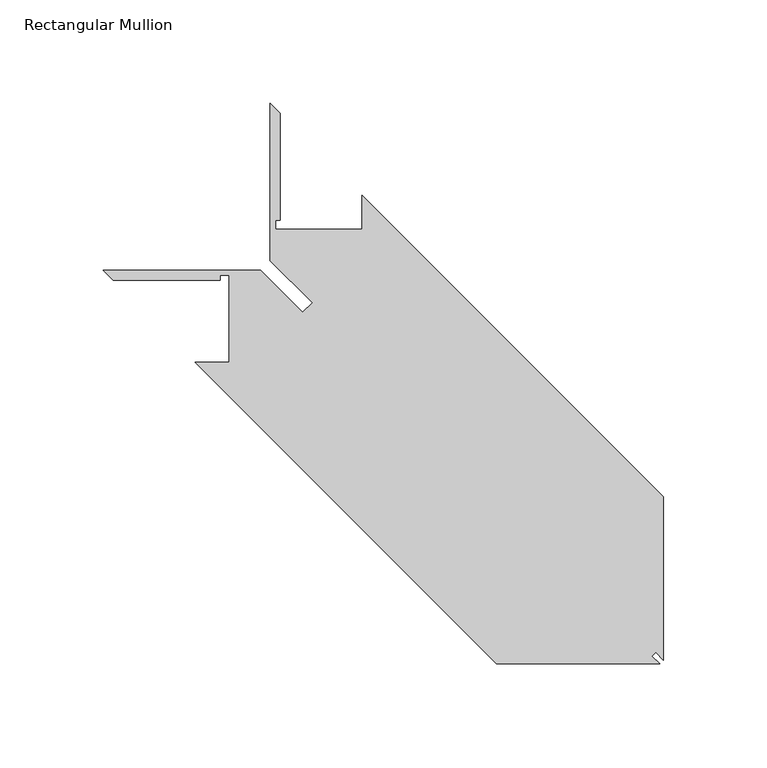
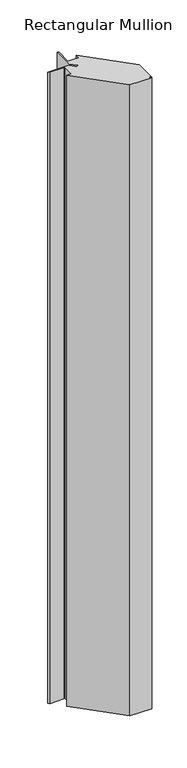
"""IFC4 building model written with IfcOpenShell, lengths in millimetres: member geometry, Rectangular Mullion."""

from ifc_helpers import new_model, si_unit, frame, origin, place, context, project, spatial, polyline, outline, extrude, source, transform, mapped, element, save


def rectangular_mullion_5258e139(model_context):
    return source(origin(), model_context, "Body", "SweptSolid", [
        extrude(outline(polyline([(28.8784243, -163.5355344), (-117.1715757, -17.4855344), (-100.6869757, -17.4855344), (-100.6869757, 24.4244275), (-105.0824021, 24.4244275), (-105.0824021, 22.0876275), (-156.7447376, 22.0876275), (-161.6215376, 26.9644275), (-85.4228021, 26.9644275), (-64.9753453, 6.5169706), (-60.3517757, 11.1405402), (-80.7992325, 31.587997), (-80.7992325, 107.7623415), (-75.9224325, 102.8855415), (-75.9224325, 51.247597), (-78.2592325, 51.247597), (-78.2592325, 46.8521706), (-36.3492706, 46.8521706), (-36.3492706, 63.3367706), (109.7007294, -82.7132294), (109.7007294, -161.7326294), (105.9923294, -158.0242294), (104.1894243, -159.8271344), (107.8978243, -163.5355344), (28.8784243, -163.5355344)])), frame((0.0, 0.0, -2438.4), z_axis=(0.0, 0.0, 1.0), x_axis=(1.0, 0.0, 0.0)), (0.0, 0.0, 1.0), 2438.4),
    ])


if __name__ == "__main__":
    model = new_model("IFC4")
    model_context = context("Model", 3, world=origin())
    ifc_project = project(units=[si_unit("LENGTHUNIT", "METRE", prefix="MILLI")], contexts=[model_context])
    site = spatial("IfcSite", under=ifc_project)
    building = spatial("IfcBuilding", under=site)
    placement = place(None, origin())
    rectangular_mullion_shape = rectangular_mullion_5258e139(model_context)
    element("IfcMember", 1, ObjectType="Rectangular Mullion", at=placement, inside=building, context=model_context, shape_type="MappedRepresentation", body=[
        mapped(rectangular_mullion_shape, transform((0.0, 0.0, 0.0), x_axis=(1.0, 0.0, 0.0), y_axis=(0.0, 1.0, 0.0), z_axis=(0.0, 0.0, 1.0))),
    ])
    save(model, "model.ifc")
